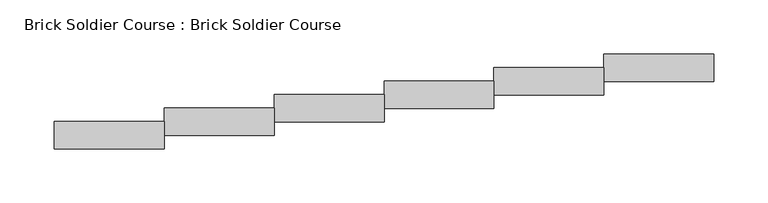
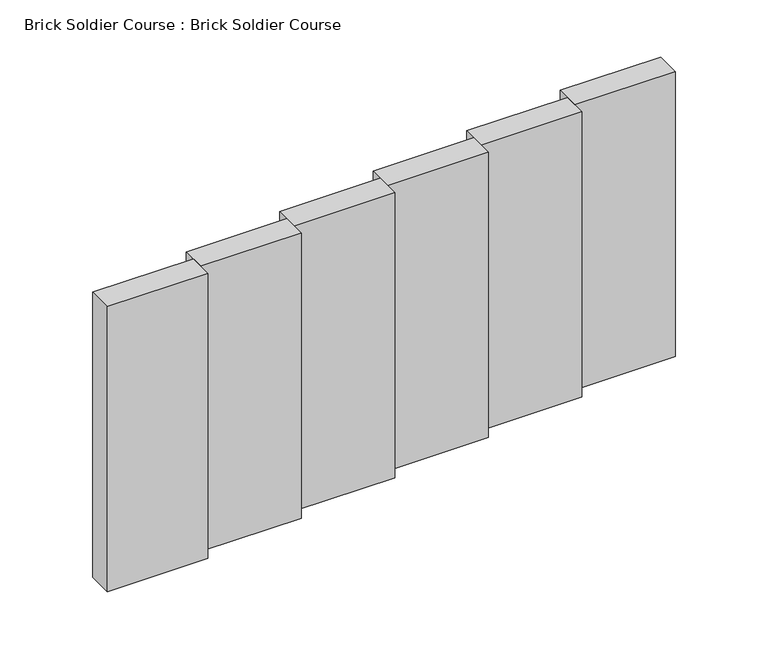
"""IFC4 building model written with IfcOpenShell, lengths in millimetres: proxy geometry, Brick Soldier Course : Brick Soldier Course."""

import ifcopenshell
import ifcopenshell.guid

model = None  # the IFC model being written
_history = None  # IfcOwnerHistory: only IFC2X3 demands one
_inside = {}  # id of a spatial element -> (the spatial element, [elements in it])
_under = {}  # id of a project, library or spatial element -> (it, [spatial elements below it])
_declared = {}  # id of a project -> (the project, [libraries it declares])
_typed = {}  # id of a type object -> (the type object, [elements of that type])
_made_of = {}  # id of a material, layer set ... -> (it, [elements and type objects made of it])


def new_model(schema):
    """Start an empty IFC model of exactly this schema.

    Asked for "IFC4X3", IfcOpenShell would pick the latest addendum, in which some entities
    have other attributes; the version numbers below select the first issue.
    IFC2X3 requires an IfcOwnerHistory on every rooted entity: one is made here for all.
    """
    global model, _history
    if schema == "IFC4X3":
        model = ifcopenshell.file(schema_version=(4, 3, 0, 0))
    else:
        model = ifcopenshell.file(schema=schema)
    _inside.clear()
    _under.clear()
    _declared.clear()
    _typed.clear()
    _made_of.clear()
    _history = None
    if model.schema == "IFC2X3":
        org = make("IfcOrganization", Name="unknown")
        user = make(
            "IfcPersonAndOrganization",
            ThePerson=make("IfcPerson", FamilyName="unknown"),
            TheOrganization=org,
        )
        app = make(
            "IfcApplication",
            ApplicationDeveloper=org,
            Version="unknown",
            ApplicationFullName="unknown",
            ApplicationIdentifier="unknown",
        )
        _history = make(
            "IfcOwnerHistory",
            OwningUser=user,
            OwningApplication=app,
            ChangeAction="ADDED",
            CreationDate=0,
        )
    return model


def make(cls, **values):
    """One entity of the class cls with the attributes given. An attribute that is None is left unset."""
    return model.create_entity(
        cls, **{name: value for name, value in values.items() if value is not None}
    )


def rooted(cls, **values):
    """An entity with a GlobalId (a new one), such as an element, a storey or a relation."""
    return make(cls, GlobalId=ifcopenshell.guid.new(), OwnerHistory=_history, **values)


def si_unit(unit_type, name, prefix=None):
    """IfcSIUnit, for example si_unit("LENGTHUNIT", "METRE", prefix="MILLI")."""
    return make("IfcSIUnit", UnitType=unit_type, Prefix=prefix, Name=name)


def assignment(units):
    """IfcUnitAssignment: the units of a project."""
    return None if units is None else make("IfcUnitAssignment", Units=units)


def point(xyz):
    """IfcCartesianPoint."""
    return None if xyz is None else make("IfcCartesianPoint", Coordinates=xyz)


def direction(xyz):
    """IfcDirection."""
    return None if xyz is None else make("IfcDirection", DirectionRatios=xyz)


def frame(location, z_axis=None, x_axis=None):
    """IfcAxis2Placement3D, a coordinate frame: its origin and axes. An axis left out is left unset."""
    return make(
        "IfcAxis2Placement3D",
        Location=point(location),
        Axis=direction(z_axis),
        RefDirection=direction(x_axis),
    )


def origin():
    """The frame at (0, 0, 0) with its axes left unset."""
    return frame((0.0, 0.0, 0.0))


def origin_with_axes():
    """The frame at (0, 0, 0) with the z axis (0, 0, 1) and the x axis (1, 0, 0) written out."""
    return frame((0.0, 0.0, 0.0), z_axis=(0.0, 0.0, 1.0), x_axis=(1.0, 0.0, 0.0))


def place(relative_to, where):
    """IfcLocalPlacement: puts the frame where relative to a parent placement (None: the world)."""
    return make(
        "IfcLocalPlacement", PlacementRelTo=relative_to, RelativePlacement=where
    )


def context(
    kind, dimensions, precision=None, world=None, true_north=None, identifier=None
):
    """IfcGeometricRepresentationContext, for example the 3D "Model" context."""
    return make(
        "IfcGeometricRepresentationContext",
        ContextIdentifier=identifier,
        ContextType=kind,
        CoordinateSpaceDimension=dimensions,
        Precision=precision,
        WorldCoordinateSystem=world,
        TrueNorth=true_north,
    )


def project(units=None, contexts=None):
    """IfcProject with its units and contexts."""
    return rooted(
        "IfcProject",
        Name="project",
        RepresentationContexts=contexts,
        UnitsInContext=assignment(units),
    )


def spatial(cls, under=None, at=None, **own):
    """A site, building, storey or space (cls), placed at a placement, below another one or the project."""
    s = rooted(cls, ObjectPlacement=at, **own)
    if under is not None:
        _under.setdefault(under.id(), (under, []))[1].append(s)
    return s


def polyline(points):
    """IfcPolyline through the points."""
    return make("IfcPolyline", Points=[point(p) for p in points])


def outline(outer, holes=None, kind="AREA"):
    """IfcArbitraryClosedProfileDef: a profile drawn as a closed curve; with holes, ...WithVoids."""
    if holes is None:
        return make("IfcArbitraryClosedProfileDef", ProfileType=kind, OuterCurve=outer)
    return make(
        "IfcArbitraryProfileDefWithVoids",
        ProfileType=kind,
        OuterCurve=outer,
        InnerCurves=holes,
    )


def extrude(swept, where, along, depth):
    """IfcExtrudedAreaSolid: the profile swept, set in the frame where, extruded along a direction by depth."""
    return make(
        "IfcExtrudedAreaSolid",
        SweptArea=swept,
        Position=where,
        ExtrudedDirection=direction(along),
        Depth=depth,
    )


def shape(context_of_items, identifier, shape_type, items):
    """IfcShapeRepresentation: the items that make up one representation, for example the "Body"."""
    return make(
        "IfcShapeRepresentation",
        ContextOfItems=context_of_items,
        RepresentationIdentifier=identifier,
        RepresentationType=shape_type,
        Items=items,
    )


def source(mapping_origin, context_of_items, identifier, shape_type, items):
    """IfcRepresentationMap: a shape defined once, which mapped items show again and again."""
    return make(
        "IfcRepresentationMap",
        MappingOrigin=mapping_origin,
        MappedRepresentation=shape(context_of_items, identifier, shape_type, items),
    )


def transform(
    local_origin,
    x_axis=None,
    y_axis=None,
    z_axis=None,
    scale=None,
    scale2=None,
    scale3=None,
    uniform=True,
):
    """IfcCartesianTransformationOperator3D, or its non-uniform kind. x_axis, y_axis, z_axis: its Axis1, 2, 3."""
    if uniform:
        return make(
            "IfcCartesianTransformationOperator3D",
            Axis1=direction(x_axis),
            Axis2=direction(y_axis),
            LocalOrigin=point(local_origin),
            Scale=scale,
            Axis3=direction(z_axis),
        )
    return make(
        "IfcCartesianTransformationOperator3DnonUniform",
        Axis1=direction(x_axis),
        Axis2=direction(y_axis),
        LocalOrigin=point(local_origin),
        Scale=scale,
        Axis3=direction(z_axis),
        Scale2=scale2,
        Scale3=scale3,
    )


def mapped(mapping_source, mapping_target):
    """IfcMappedItem: shows the shape of a source again, moved by a transform."""
    return make(
        "IfcMappedItem", MappingSource=mapping_source, MappingTarget=mapping_target
    )


def made_of(thing, what):
    """Note that an element or type object is made of a material, layer set ...; save() writes the relation."""
    if what is not None:
        _made_of.setdefault(what.id(), (what, []))[1].append(thing)
    return thing


def element(
    cls,
    number,
    at=None,
    inside=None,
    cuts=None,
    type_object=None,
    material=None,
    context=None,
    identifier="Body",
    shape_type=None,
    held_by="IfcProductDefinitionShape",
    body=None,
    shapes=None,
    **own,
):
    """One element of the class cls, such as IfcWall. Its Tag is "e" and its number.

    at: its placement. inside: the storey or other place that contains it. cuts: it is an
    opening in that element (IfcRelVoidsElement). A single representation is given by context,
    identifier, shape_type and body (its items); several are given by shapes. held_by: the class
    of the entity that holds the representations. save() writes the other relations.
    """
    e = rooted(cls, Tag="e%d" % number, ObjectPlacement=at, **own)
    if body is not None:
        shapes = [shape(context, identifier, shape_type, body)]
    if shapes is not None:
        e.Representation = make(held_by, Representations=shapes)
    if inside is not None:
        _inside.setdefault(inside.id(), (inside, []))[1].append(e)
    if cuts is not None:
        rooted(
            "IfcRelVoidsElement", RelatingBuildingElement=cuts, RelatedOpeningElement=e
        )
    if type_object is not None:
        _typed.setdefault(type_object.id(), (type_object, []))[1].append(e)
    return made_of(e, material)


def aggregate(whole, parts):
    """IfcRelAggregates: a whole, such as a stair, and the parts it consists of."""
    return rooted("IfcRelAggregates", RelatingObject=whole, RelatedObjects=parts)


def save(model, path):
    """Write the relations noted so far, then the file.

    IfcRelAggregates (storeys below a building ...), IfcRelContainedInSpatialStructure (elements
    in a storey), IfcRelDefinesByType, IfcRelAssociatesMaterial and IfcRelDeclares: one each for
    every whole, place, type object, material and project.
    """
    for whole, parts in _under.values():
        aggregate(whole, parts)
    for where, things in _inside.values():
        rooted(
            "IfcRelContainedInSpatialStructure",
            RelatedElements=things,
            RelatingStructure=where,
        )
    for kind, things in _typed.values():
        rooted("IfcRelDefinesByType", RelatedObjects=things, RelatingType=kind)
    for what, things in _made_of.values():
        rooted("IfcRelAssociatesMaterial", RelatedObjects=things, RelatingMaterial=what)
    for by, libraries in _declared.values():
        rooted("IfcRelDeclares", RelatingContext=by, RelatedDefinitions=libraries)
    model.write(path)


def brick_soldier_course_brick_soldier_course_7fcdcc8b(model_context):
    return source(origin(), model_context, "Body", "SweptSolid", [
        extrude(outline(polyline([(-508.0, 113.7046875), (-609.6, 113.7046875), (-609.6, 139.1046875), (-508.0, 139.1046875), (-508.0, 113.7046875)])), origin_with_axes(), (0.0, 0.0, 1.0), 304.8),
        extrude(outline(polyline([(-406.4, 126.20625), (-508.0, 126.20625), (-508.0, 151.60625), (-406.4, 151.60625), (-406.4, 126.20625)])), origin_with_axes(), (0.0, 0.0, 1.0), 304.8),
        extrude(outline(polyline([(-304.8, 138.7078125), (-406.4, 138.7078125), (-406.4, 164.1078125), (-304.8, 164.1078125), (-304.8, 138.7078125)])), origin_with_axes(), (0.0, 0.0, 1.0), 304.8),
        extrude(outline(polyline([(-203.2, 151.209375), (-304.8, 151.209375), (-304.8, 176.609375), (-203.2, 176.609375), (-203.2, 151.209375)])), origin_with_axes(), (0.0, 0.0, 1.0), 304.8),
        extrude(outline(polyline([(-101.6, 163.7109375), (-203.2, 163.7109375), (-203.2, 189.1109375), (-101.6, 189.1109375), (-101.6, 163.7109375)])), origin_with_axes(), (0.0, 0.0, 1.0), 304.8),
        extrude(outline(polyline([(0.0, 176.2125), (-101.6, 176.2125), (-101.6, 201.6125), (0.0, 201.6125), (0.0, 176.2125)])), origin_with_axes(), (0.0, 0.0, 1.0), 304.8),
    ])


if __name__ == "__main__":
    model = new_model("IFC4")
    model_context = context("Model", 3, world=origin())
    ifc_project = project(units=[si_unit("LENGTHUNIT", "METRE", prefix="MILLI")], contexts=[model_context])
    site = spatial("IfcSite", under=ifc_project)
    building = spatial("IfcBuilding", under=site)
    placement = place(None, origin())
    brick_soldier_course_brick_soldier_course_shape = brick_soldier_course_brick_soldier_course_7fcdcc8b(model_context)
    element("IfcBuildingElementProxy", 1, Name="Brick Soldier Course : Brick Soldier Course", ObjectType="Brick Soldier Course : Brick Soldier Course", at=placement, inside=building, context=model_context, shape_type="MappedRepresentation", body=[
        mapped(brick_soldier_course_brick_soldier_course_shape, transform((0.0, 0.0, 0.0), x_axis=(1.0, 0.0, 0.0), y_axis=(0.0, 1.0, 0.0), z_axis=(0.0, 0.0, 1.0))),
    ])
    save(model, "model.ifc")
